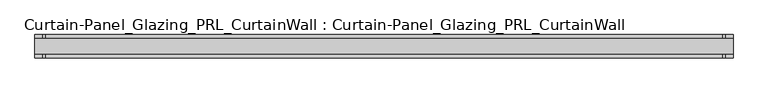
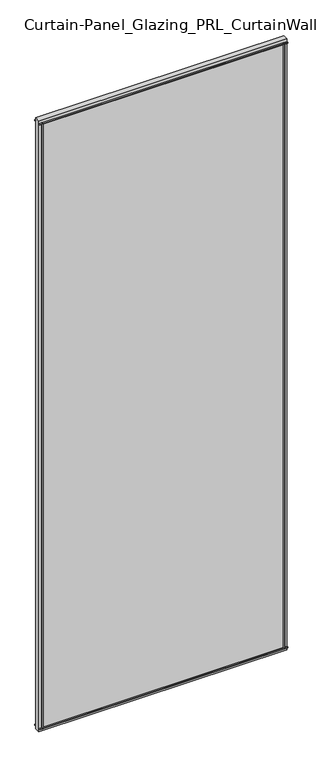
"""IFC4 building model written with IfcOpenShell, lengths in millimetres: plate geometry, Curtain-Panel_Glazing_PRL_CurtainWall : Curtain-Panel_Glazing_PRL_CurtainWall."""

import ifcopenshell
import ifcopenshell.guid

model = None  # the IFC model being written
_history = None  # IfcOwnerHistory: only IFC2X3 demands one
_inside = {}  # id of a spatial element -> (the spatial element, [elements in it])
_under = {}  # id of a project, library or spatial element -> (it, [spatial elements below it])
_declared = {}  # id of a project -> (the project, [libraries it declares])
_typed = {}  # id of a type object -> (the type object, [elements of that type])
_made_of = {}  # id of a material, layer set ... -> (it, [elements and type objects made of it])


def new_model(schema):
    """Start an empty IFC model of exactly this schema.

    Asked for "IFC4X3", IfcOpenShell would pick the latest addendum, in which some entities
    have other attributes; the version numbers below select the first issue.
    IFC2X3 requires an IfcOwnerHistory on every rooted entity: one is made here for all.
    """
    global model, _history
    if schema == "IFC4X3":
        model = ifcopenshell.file(schema_version=(4, 3, 0, 0))
    else:
        model = ifcopenshell.file(schema=schema)
    _inside.clear()
    _under.clear()
    _declared.clear()
    _typed.clear()
    _made_of.clear()
    _history = None
    if model.schema == "IFC2X3":
        org = make("IfcOrganization", Name="unknown")
        user = make(
            "IfcPersonAndOrganization",
            ThePerson=make("IfcPerson", FamilyName="unknown"),
            TheOrganization=org,
        )
        app = make(
            "IfcApplication",
            ApplicationDeveloper=org,
            Version="unknown",
            ApplicationFullName="unknown",
            ApplicationIdentifier="unknown",
        )
        _history = make(
            "IfcOwnerHistory",
            OwningUser=user,
            OwningApplication=app,
            ChangeAction="ADDED",
            CreationDate=0,
        )
    return model


def make(cls, **values):
    """One entity of the class cls with the attributes given. An attribute that is None is left unset."""
    return model.create_entity(
        cls, **{name: value for name, value in values.items() if value is not None}
    )


def rooted(cls, **values):
    """An entity with a GlobalId (a new one), such as an element, a storey or a relation."""
    return make(cls, GlobalId=ifcopenshell.guid.new(), OwnerHistory=_history, **values)


def si_unit(unit_type, name, prefix=None):
    """IfcSIUnit, for example si_unit("LENGTHUNIT", "METRE", prefix="MILLI")."""
    return make("IfcSIUnit", UnitType=unit_type, Prefix=prefix, Name=name)


def assignment(units):
    """IfcUnitAssignment: the units of a project."""
    return None if units is None else make("IfcUnitAssignment", Units=units)


def point(xyz):
    """IfcCartesianPoint."""
    return None if xyz is None else make("IfcCartesianPoint", Coordinates=xyz)


def direction(xyz):
    """IfcDirection."""
    return None if xyz is None else make("IfcDirection", DirectionRatios=xyz)


def frame(location, z_axis=None, x_axis=None):
    """IfcAxis2Placement3D, a coordinate frame: its origin and axes. An axis left out is left unset."""
    return make(
        "IfcAxis2Placement3D",
        Location=point(location),
        Axis=direction(z_axis),
        RefDirection=direction(x_axis),
    )


def origin():
    """The frame at (0, 0, 0) with its axes left unset."""
    return frame((0.0, 0.0, 0.0))


def origin_with_axes():
    """The frame at (0, 0, 0) with the z axis (0, 0, 1) and the x axis (1, 0, 0) written out."""
    return frame((0.0, 0.0, 0.0), z_axis=(0.0, 0.0, 1.0), x_axis=(1.0, 0.0, 0.0))


def place(relative_to, where):
    """IfcLocalPlacement: puts the frame where relative to a parent placement (None: the world)."""
    return make(
        "IfcLocalPlacement", PlacementRelTo=relative_to, RelativePlacement=where
    )


def context(
    kind, dimensions, precision=None, world=None, true_north=None, identifier=None
):
    """IfcGeometricRepresentationContext, for example the 3D "Model" context."""
    return make(
        "IfcGeometricRepresentationContext",
        ContextIdentifier=identifier,
        ContextType=kind,
        CoordinateSpaceDimension=dimensions,
        Precision=precision,
        WorldCoordinateSystem=world,
        TrueNorth=true_north,
    )


def project(units=None, contexts=None):
    """IfcProject with its units and contexts."""
    return rooted(
        "IfcProject",
        Name="project",
        RepresentationContexts=contexts,
        UnitsInContext=assignment(units),
    )


def spatial(cls, under=None, at=None, **own):
    """A site, building, storey or space (cls), placed at a placement, below another one or the project."""
    s = rooted(cls, ObjectPlacement=at, **own)
    if under is not None:
        _under.setdefault(under.id(), (under, []))[1].append(s)
    return s


def polyline(points):
    """IfcPolyline through the points."""
    return make("IfcPolyline", Points=[point(p) for p in points])


def outline(outer, holes=None, kind="AREA"):
    """IfcArbitraryClosedProfileDef: a profile drawn as a closed curve; with holes, ...WithVoids."""
    if holes is None:
        return make("IfcArbitraryClosedProfileDef", ProfileType=kind, OuterCurve=outer)
    return make(
        "IfcArbitraryProfileDefWithVoids",
        ProfileType=kind,
        OuterCurve=outer,
        InnerCurves=holes,
    )


def extrude(swept, where, along, depth):
    """IfcExtrudedAreaSolid: the profile swept, set in the frame where, extruded along a direction by depth."""
    return make(
        "IfcExtrudedAreaSolid",
        SweptArea=swept,
        Position=where,
        ExtrudedDirection=direction(along),
        Depth=depth,
    )


def shape(context_of_items, identifier, shape_type, items):
    """IfcShapeRepresentation: the items that make up one representation, for example the "Body"."""
    return make(
        "IfcShapeRepresentation",
        ContextOfItems=context_of_items,
        RepresentationIdentifier=identifier,
        RepresentationType=shape_type,
        Items=items,
    )


def source(mapping_origin, context_of_items, identifier, shape_type, items):
    """IfcRepresentationMap: a shape defined once, which mapped items show again and again."""
    return make(
        "IfcRepresentationMap",
        MappingOrigin=mapping_origin,
        MappedRepresentation=shape(context_of_items, identifier, shape_type, items),
    )


def transform(
    local_origin,
    x_axis=None,
    y_axis=None,
    z_axis=None,
    scale=None,
    scale2=None,
    scale3=None,
    uniform=True,
):
    """IfcCartesianTransformationOperator3D, or its non-uniform kind. x_axis, y_axis, z_axis: its Axis1, 2, 3."""
    if uniform:
        return make(
            "IfcCartesianTransformationOperator3D",
            Axis1=direction(x_axis),
            Axis2=direction(y_axis),
            LocalOrigin=point(local_origin),
            Scale=scale,
            Axis3=direction(z_axis),
        )
    return make(
        "IfcCartesianTransformationOperator3DnonUniform",
        Axis1=direction(x_axis),
        Axis2=direction(y_axis),
        LocalOrigin=point(local_origin),
        Scale=scale,
        Axis3=direction(z_axis),
        Scale2=scale2,
        Scale3=scale3,
    )


def mapped(mapping_source, mapping_target):
    """IfcMappedItem: shows the shape of a source again, moved by a transform."""
    return make(
        "IfcMappedItem", MappingSource=mapping_source, MappingTarget=mapping_target
    )


def made_of(thing, what):
    """Note that an element or type object is made of a material, layer set ...; save() writes the relation."""
    if what is not None:
        _made_of.setdefault(what.id(), (what, []))[1].append(thing)
    return thing


def element(
    cls,
    number,
    at=None,
    inside=None,
    cuts=None,
    type_object=None,
    material=None,
    context=None,
    identifier="Body",
    shape_type=None,
    held_by="IfcProductDefinitionShape",
    body=None,
    shapes=None,
    **own,
):
    """One element of the class cls, such as IfcWall. Its Tag is "e" and its number.

    at: its placement. inside: the storey or other place that contains it. cuts: it is an
    opening in that element (IfcRelVoidsElement). A single representation is given by context,
    identifier, shape_type and body (its items); several are given by shapes. held_by: the class
    of the entity that holds the representations. save() writes the other relations.
    """
    e = rooted(cls, Tag="e%d" % number, ObjectPlacement=at, **own)
    if body is not None:
        shapes = [shape(context, identifier, shape_type, body)]
    if shapes is not None:
        e.Representation = make(held_by, Representations=shapes)
    if inside is not None:
        _inside.setdefault(inside.id(), (inside, []))[1].append(e)
    if cuts is not None:
        rooted(
            "IfcRelVoidsElement", RelatingBuildingElement=cuts, RelatedOpeningElement=e
        )
    if type_object is not None:
        _typed.setdefault(type_object.id(), (type_object, []))[1].append(e)
    return made_of(e, material)


def aggregate(whole, parts):
    """IfcRelAggregates: a whole, such as a stair, and the parts it consists of."""
    return rooted("IfcRelAggregates", RelatingObject=whole, RelatedObjects=parts)


def save(model, path):
    """Write the relations noted so far, then the file.

    IfcRelAggregates (storeys below a building ...), IfcRelContainedInSpatialStructure (elements
    in a storey), IfcRelDefinesByType, IfcRelAssociatesMaterial and IfcRelDeclares: one each for
    every whole, place, type object, material and project.
    """
    for whole, parts in _under.values():
        aggregate(whole, parts)
    for where, things in _inside.values():
        rooted(
            "IfcRelContainedInSpatialStructure",
            RelatedElements=things,
            RelatingStructure=where,
        )
    for kind, things in _typed.values():
        rooted("IfcRelDefinesByType", RelatedObjects=things, RelatingType=kind)
    for what, things in _made_of.values():
        rooted("IfcRelAssociatesMaterial", RelatedObjects=things, RelatingMaterial=what)
    for by, libraries in _declared.values():
        rooted("IfcRelDeclares", RelatingContext=by, RelatedDefinitions=libraries)
    model.write(path)


def curtain_panel_glazing_prl_curtainwall_curtain_panel_glazing_ed8f863d(model_context):
    return source(origin(), model_context, "Body", "SweptSolid", [
        extrude(outline(polyline([(558.8, 19.05), (558.8, 12.7), (554.83125, 12.7), (554.83125, 19.05), (558.8, 19.05)])), frame((0.0, 0.0, 12.7), z_axis=(0.0, 0.0, 1.0), x_axis=(1.0, 0.0, 0.0)), (0.0, 0.0, 1.0), 2946.4),
        extrude(outline(polyline([(558.8, -19.05), (554.83125, -19.05), (554.83125, -12.7), (558.8, -12.7), (558.8, -19.05)])), frame((0.0, 0.0, 12.7), z_axis=(0.0, 0.0, 1.0), x_axis=(1.0, 0.0, 0.0)), (0.0, 0.0, 1.0), 2946.4),
        extrude(outline(polyline([(-558.8, 19.05), (-554.83125, 19.05), (-554.83125, 12.7), (-558.8, 12.7), (-558.8, 19.05)])), frame((0.0, 0.0, 12.7), z_axis=(0.0, 0.0, 1.0), x_axis=(1.0, 0.0, 0.0)), (0.0, 0.0, 1.0), 2946.4),
        extrude(outline(polyline([(-558.8, -19.05), (-558.8, -12.7), (-554.83125, -12.7), (-554.83125, -19.05), (-558.8, -19.05)])), frame((0.0, 0.0, 12.7), z_axis=(0.0, 0.0, 1.0), x_axis=(1.0, 0.0, 0.0)), (0.0, 0.0, 1.0), 2946.4),
        extrude(outline(polyline([(571.5, -12.7), (-571.5, -12.7), (-571.5, 12.7), (571.5, 12.7), (571.5, -12.7)])), origin_with_axes(), (0.0, 0.0, 1.0), 2971.8),
        extrude(outline(polyline([(-571.5, 19.05), (571.5, 19.05), (571.5, 12.7), (-571.5, 12.7), (-571.5, 19.05)])), frame((0.0, 0.0, 2955.13125), z_axis=(0.0, 0.0, 1.0), x_axis=(1.0, 0.0, 0.0)), (0.0, 0.0, 1.0), 3.96875),
        extrude(outline(polyline([(-571.5, -19.05), (-571.5, -12.7), (571.5, -12.7), (571.5, -19.05), (-571.5, -19.05)])), frame((0.0, 0.0, 2955.13125), z_axis=(0.0, 0.0, 1.0), x_axis=(1.0, 0.0, 0.0)), (0.0, 0.0, 1.0), 3.96875),
        extrude(outline(polyline([(-571.5, 19.05), (571.5, 19.05), (571.5, 12.7), (-571.5, 12.7), (-571.5, 19.05)])), frame((0.0, 0.0, 12.7), z_axis=(0.0, 0.0, 1.0), x_axis=(1.0, 0.0, 0.0)), (0.0, 0.0, 1.0), 3.96875),
        extrude(outline(polyline([(-571.5, -19.05), (-571.5, -12.7), (571.5, -12.7), (571.5, -19.05), (-571.5, -19.05)])), frame((0.0, 0.0, 12.7), z_axis=(0.0, 0.0, 1.0), x_axis=(1.0, 0.0, 0.0)), (0.0, 0.0, 1.0), 3.96875),
    ])


if __name__ == "__main__":
    model = new_model("IFC4")
    model_context = context("Model", 3, world=origin())
    ifc_project = project(units=[si_unit("LENGTHUNIT", "METRE", prefix="MILLI")], contexts=[model_context])
    site = spatial("IfcSite", under=ifc_project)
    building = spatial("IfcBuilding", under=site)
    placement = place(None, origin())
    curtain_panel_glazing_prl_curtainwall_curtain_panel_glazing_shape = curtain_panel_glazing_prl_curtainwall_curtain_panel_glazing_ed8f863d(model_context)
    element("IfcPlate", 1, ObjectType="Curtain-Panel_Glazing_PRL_CurtainWall : Curtain-Panel_Glazing_PRL_CurtainWall", at=placement, inside=building, context=model_context, shape_type="MappedRepresentation", body=[
        mapped(curtain_panel_glazing_prl_curtainwall_curtain_panel_glazing_shape, transform((0.0, 0.0, 0.0), x_axis=(1.0, 0.0, 0.0), y_axis=(0.0, 1.0, 0.0), z_axis=(0.0, 0.0, 1.0))),
    ])
    save(model, "model.ifc")
